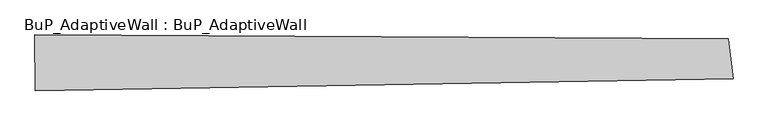
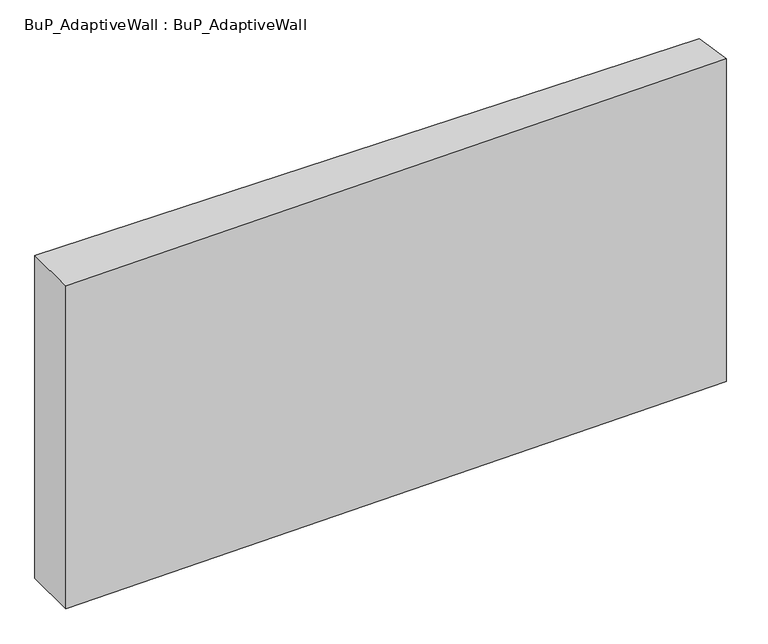
"""IFC4 building model written with IfcOpenShell, lengths in millimetres: proxy geometry, BuP_AdaptiveWall : BuP_AdaptiveWall."""

from ifc_helpers import new_model, si_unit, origin, origin_with_axes, place, context, project, spatial, polyline, outline, extrude, source, transform, mapped, element, save


def bup_adaptivewall_bup_adaptivewall_4fe85aa3(model_context):
    return source(origin(), model_context, "Body", "SweptSolid", [
        extrude(outline(polyline([(-7494.9583479, 37.3992752), (-7497.3606219, 506.275481), (-1674.9272338, 475.3871789), (-1632.30098, 138.2757073), (-7494.9583479, 37.3992752)])), origin_with_axes(), (0.0, 0.0, 1.0), 3000.0),
    ])


if __name__ == "__main__":
    model = new_model("IFC4")
    model_context = context("Model", 3, world=origin())
    ifc_project = project(units=[si_unit("LENGTHUNIT", "METRE", prefix="MILLI")], contexts=[model_context])
    site = spatial("IfcSite", under=ifc_project)
    building = spatial("IfcBuilding", under=site)
    placement = place(None, origin())
    bup_adaptivewall_bup_adaptivewall_shape = bup_adaptivewall_bup_adaptivewall_4fe85aa3(model_context)
    element("IfcBuildingElementProxy", 1, Name="BuP_AdaptiveWall : BuP_AdaptiveWall", ObjectType="BuP_AdaptiveWall : BuP_AdaptiveWall", at=placement, inside=building, context=model_context, shape_type="MappedRepresentation", body=[
        mapped(bup_adaptivewall_bup_adaptivewall_shape, transform((0.0, 0.0, 0.0), x_axis=(1.0, 0.0, 0.0), y_axis=(0.0, 1.0, 0.0), z_axis=(0.0, 0.0, 1.0))),
    ])
    save(model, "model.ifc")
